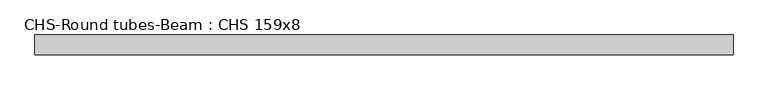
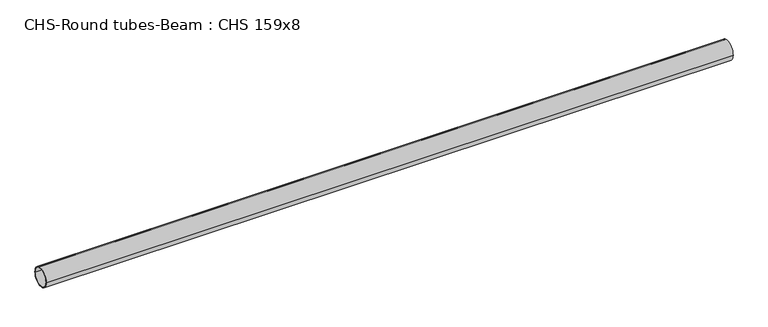
"""IFC4 building model written with IfcOpenShell, lengths in millimetres: beam geometry, CHS-Round tubes-Beam : CHS 159x8."""

from ifc_helpers import new_model, si_unit, point, frame, origin, origin_2d, place, context, project, spatial, circle_curve, trimmed, segment, composite_curve, outline, extrude, source, transform, mapped, element, save


def chs_round_tubes_beam_chs_159x8_af374333(model_context):
    return source(origin(), model_context, "Body", "SweptSolid", [
        extrude(outline(composite_curve([segment(trimmed(circle_curve(origin_2d(), 79.5), [point((79.5, 0.0))], [point((-79.5, 0.0))], False, "CARTESIAN"), True, "CONTINUOUS"), segment(trimmed(circle_curve(origin_2d(), 79.5), [point((-79.5, 0.0))], [point((79.5, 0.0))], False, "CARTESIAN"), True, "CONTINUOUS")], self_intersect=False), holes=[composite_curve([segment(trimmed(circle_curve(origin_2d(), 71.5), [point((71.5, 0.0))], [point((-71.5, 0.0))], True, "CARTESIAN"), True, "CONTINUOUS"), segment(trimmed(circle_curve(origin_2d(), 71.5), [point((-71.5, 0.0))], [point((71.5, 0.0))], True, "CARTESIAN"), True, "CONTINUOUS")], self_intersect=False)]), frame((-2804.9081736, 0.0, 0.0), z_axis=(1.0, 0.0, 0.0), x_axis=(0.0, 1.0, 0.0)), (0.0, 0.0, 1.0), 5615.0065813),
    ])


if __name__ == "__main__":
    model = new_model("IFC4")
    model_context = context("Model", 3, world=origin())
    ifc_project = project(units=[si_unit("LENGTHUNIT", "METRE", prefix="MILLI")], contexts=[model_context])
    site = spatial("IfcSite", under=ifc_project)
    building = spatial("IfcBuilding", under=site)
    placement = place(None, origin())
    chs_round_tubes_beam_chs_159x8_shape = chs_round_tubes_beam_chs_159x8_af374333(model_context)
    element("IfcBeam", 1, ObjectType="CHS-Round tubes-Beam : CHS 159x8", at=placement, inside=building, context=model_context, shape_type="MappedRepresentation", body=[
        mapped(chs_round_tubes_beam_chs_159x8_shape, transform((0.0, 0.0, 0.0), x_axis=(1.0, 0.0, 0.0), y_axis=(0.0, 1.0, 0.0), z_axis=(0.0, 0.0, 1.0))),
    ])
    save(model, "model.ifc")
